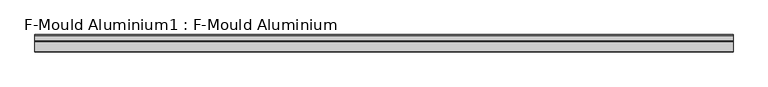
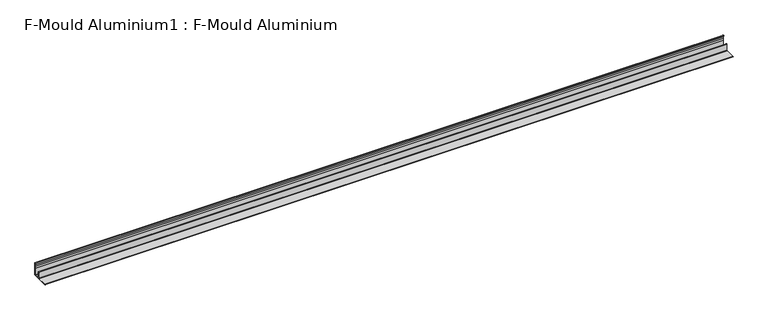
"""IFC4 building model written with IfcOpenShell, lengths in millimetres: proxy geometry, F-Mould Aluminium1 : F-Mould Aluminium."""

from ifc_helpers import new_model, si_unit, point, frame, frame_2d, origin, place, context, project, spatial, polyline, circle_curve, trimmed, segment, composite_curve, outline, extrude, source, transform, mapped, element, save


def f_mould_aluminium1_f_mould_aluminium_1f1487fe(model_context):
    return source(origin(), model_context, "Body", "SweptSolid", [
        extrude(outline(composite_curve([segment(trimmed(circle_curve(frame_2d((-12940.9735169, 1.25)), 1.25), [point((-12942.2235169, 1.25))], [point((-12940.9735169, 0.0))], True, "CARTESIAN"), True, "CONTINUOUS"), segment(polyline([(-12940.9735169, 0.0), (-12923.4735169, 0.0)]), True, "CONTINUOUS"), segment(trimmed(circle_curve(frame_2d((-12923.4735169, 1.25)), 1.25), [point((-12923.4735169, 0.0))], [point((-12922.2235169, 1.25))], True, "CARTESIAN"), True, "CONTINUOUS"), segment(polyline([(-12922.2235169, 1.25), (-12922.2235169, 25.0148611), (-12922.6482089, 32.7166898)]), True, "CONTINUOUS"), segment(trimmed(circle_curve(frame_2d((-12932.2235169, 35.6)), 10.0), [point((-12922.6482089, 32.7166898))], [point((-12922.6482089, 38.4833102))], True, "CARTESIAN"), True, "CONTINUOUS"), segment(trimmed(circle_curve(frame_2d((-12913.2235169, 41.82624)), 10.0), [point((-12922.6482089, 38.4833102))], [point((-12923.1851985, 42.7008252))], False, "CARTESIAN"), True, "CONTINUOUS"), segment(trimmed(circle_curve(frame_2d((-12922.0235169, 42.4)), 1.2), [point((-12923.1851985, 42.7008252))], [point((-12920.8235169, 42.4))], False, "CARTESIAN"), True, "CONTINUOUS"), segment(polyline([(-12920.8235169, 42.4), (-12920.8235169, 1.25)]), True, "CONTINUOUS"), segment(trimmed(circle_curve(frame_2d((-12923.4735169, 1.25)), 2.65), [point((-12920.8235169, 1.25))], [point((-12923.4735169, -1.4))], False, "CARTESIAN"), True, "CONTINUOUS"), segment(polyline([(-12923.4735169, -1.4), (-12980.1235169, -1.4)]), True, "CONTINUOUS"), segment(trimmed(circle_curve(frame_2d((-12980.1235169, -0.7)), 0.7), [point((-12980.1235169, -1.4))], [point((-12980.1235169, 0.0))], False, "CARTESIAN"), True, "CONTINUOUS"), segment(polyline([(-12980.1235169, 0.0), (-12944.6735169, 0.0)]), True, "CONTINUOUS"), segment(trimmed(circle_curve(frame_2d((-12944.6735169, 1.25)), 1.25), [point((-12944.6735169, 0.0))], [point((-12943.4235169, 1.25))], True, "CARTESIAN"), True, "CONTINUOUS"), segment(polyline([(-12943.4235169, 1.25), (-12943.4235169, 23.0)]), True, "CONTINUOUS"), segment(trimmed(circle_curve(frame_2d((-12942.8235169, 23.0)), 0.6), [point((-12943.4235169, 23.0))], [point((-12942.2235169, 23.0))], False, "CARTESIAN"), True, "CONTINUOUS"), segment(polyline([(-12942.2235169, 23.0), (-12942.2235169, 1.25)]), True, "CONTINUOUS")], self_intersect=False)), frame((-10615.3690716, 0.0, 0.0), z_axis=(1.0, 0.0, 0.0), x_axis=(0.0, 1.0, 0.0)), (0.0, 0.0, 1.0), 2400.0),
    ])


if __name__ == "__main__":
    model = new_model("IFC4")
    model_context = context("Model", 3, world=origin())
    ifc_project = project(units=[si_unit("LENGTHUNIT", "METRE", prefix="MILLI")], contexts=[model_context])
    site = spatial("IfcSite", under=ifc_project)
    building = spatial("IfcBuilding", under=site)
    placement = place(None, origin())
    f_mould_aluminium1_f_mould_aluminium_shape = f_mould_aluminium1_f_mould_aluminium_1f1487fe(model_context)
    element("IfcBuildingElementProxy", 1, Name="F-Mould Aluminium1 : F-Mould Aluminium", ObjectType="F-Mould Aluminium1 : F-Mould Aluminium", at=placement, inside=building, context=model_context, shape_type="MappedRepresentation", body=[
        mapped(f_mould_aluminium1_f_mould_aluminium_shape, transform((0.0, 0.0, 0.0), x_axis=(1.0, 0.0, 0.0), y_axis=(0.0, 1.0, 0.0), z_axis=(0.0, 0.0, 1.0))),
    ])
    save(model, "model.ifc")
